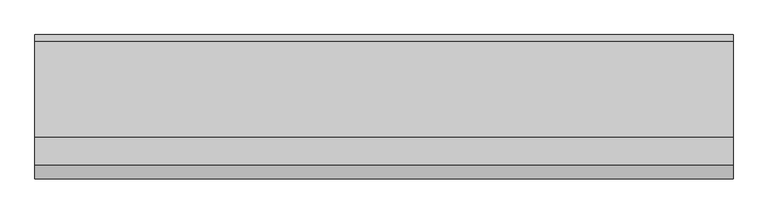
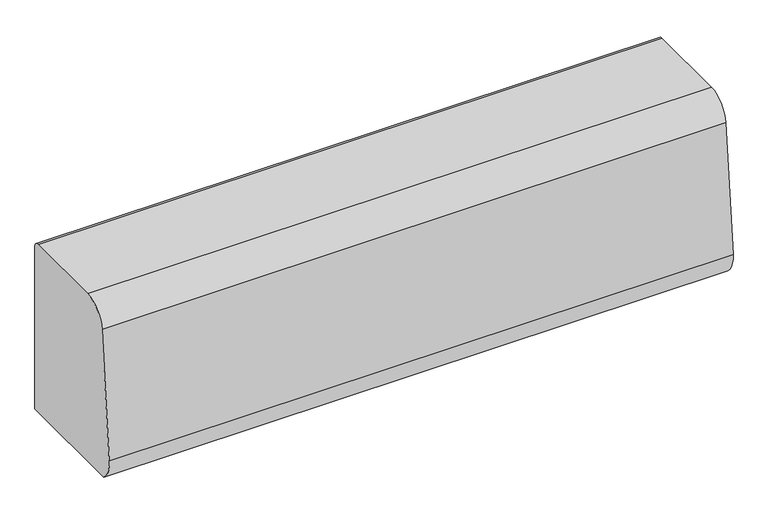
"""IFC4 building model written with IfcOpenShell, lengths in millimetres: furniture geometry."""

from ifc_helpers import new_model, si_unit, point, frame, frame_2d, origin, place, context, project, spatial, polyline, circle_curve, trimmed, segment, composite_curve, outline, extrude, source, transform, mapped, element, save


def furniture_34f89096(model_context):
    return source(origin(), model_context, "Body", "SweptSolid", [
        extrude(outline(composite_curve([segment(polyline([(444.5, 393.7), (232.6067514, 393.7)]), True, "CONTINUOUS"), segment(trimmed(circle_curve(frame_2d((263.4189927, 430.9463408)), 48.3392606), [point((232.6067514, 393.7))], [point((215.3053904, 435.6116811))], False, "CARTESIAN"), True, "CONTINUOUS"), segment(polyline([(215.3053904, 435.6116811), (237.9512344, 669.1580194)]), True, "CONTINUOUS"), segment(trimmed(circle_curve(frame_2d((282.1937319, 664.8680412)), 44.45), [point((237.9512344, 669.1580194))], [point((282.1937319, 709.3180412))], False, "CARTESIAN"), True, "CONTINUOUS"), segment(polyline([(282.1937319, 709.3180412), (434.544558, 709.3180412)]), True, "CONTINUOUS"), segment(trimmed(circle_curve(frame_2d((434.544558, 699.3625993)), 9.955442), [point((434.544558, 709.3180412))], [point((444.5, 699.3625993))], False, "CARTESIAN"), True, "CONTINUOUS"), segment(polyline([(444.5, 699.3625993), (444.5, 393.7)]), True, "CONTINUOUS")], self_intersect=False)), frame((107.95, 0.0, 0.0), z_axis=(1.0, 0.0, 0.0), x_axis=(0.0, 1.0, 0.0)), (0.0, 0.0, 1.0), 1108.075),
    ])


if __name__ == "__main__":
    model = new_model("IFC4")
    model_context = context("Model", 3, world=origin())
    ifc_project = project(units=[si_unit("LENGTHUNIT", "METRE", prefix="MILLI")], contexts=[model_context])
    site = spatial("IfcSite", under=ifc_project)
    building = spatial("IfcBuilding", under=site)
    placement = place(None, origin())
    furniture_shape = furniture_34f89096(model_context)
    element("IfcFurniture", 1, at=placement, inside=building, context=model_context, shape_type="MappedRepresentation", body=[
        mapped(furniture_shape, transform((0.0, 0.0, 0.0), x_axis=(1.0, 0.0, 0.0), y_axis=(0.0, 1.0, 0.0), z_axis=(0.0, 0.0, 1.0))),
    ])
    save(model, "model.ifc")
